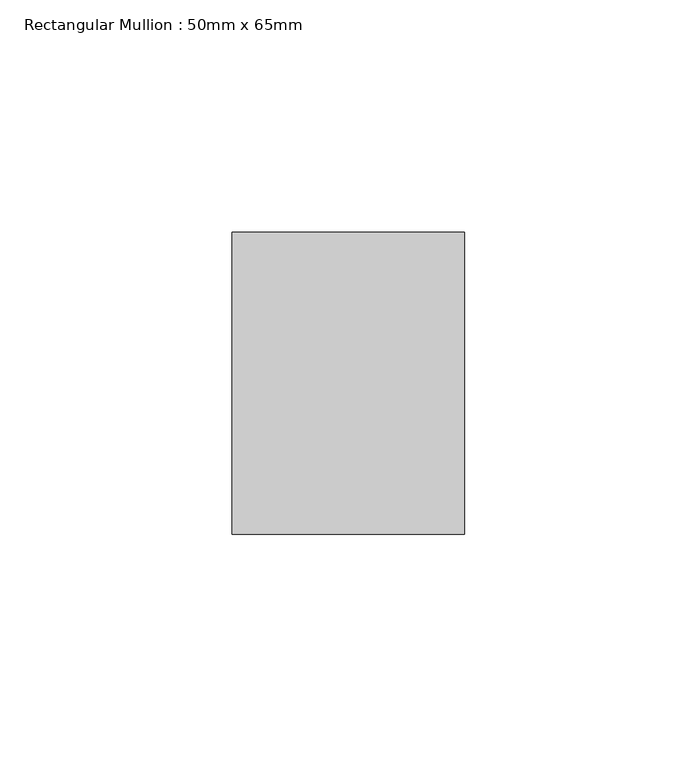
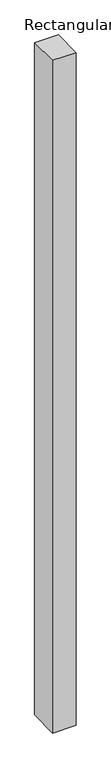
"""IFC4 building model written with IfcOpenShell, lengths in millimetres: member geometry, Rectangular Mullion : 50mm x 65mm."""

from ifc_helpers import new_model, si_unit, frame, origin, place, context, project, spatial, polyline, outline, extrude, source, transform, mapped, element, save


def rectangular_mullion_50mm_x_65mm_7ff00608(model_context):
    return source(origin(), model_context, "Body", "SweptSolid", [
        extrude(outline(polyline([(-32.5, 0.0), (32.5, 0.0), (32.5, -1499.3983877), (-32.5, -1500.6028204), (-32.5, 0.0)])), frame((-25.0, 0.0, 0.0), z_axis=(1.0, 0.0, 0.0), x_axis=(0.0, 1.0, 0.0)), (0.0, 0.0, 1.0), 50.0),
    ])


if __name__ == "__main__":
    model = new_model("IFC4")
    model_context = context("Model", 3, world=origin())
    ifc_project = project(units=[si_unit("LENGTHUNIT", "METRE", prefix="MILLI")], contexts=[model_context])
    site = spatial("IfcSite", under=ifc_project)
    building = spatial("IfcBuilding", under=site)
    placement = place(None, origin())
    rectangular_mullion_50mm_x_65mm_shape = rectangular_mullion_50mm_x_65mm_7ff00608(model_context)
    element("IfcMember", 1, ObjectType="Rectangular Mullion : 50mm x 65mm", at=placement, inside=building, context=model_context, shape_type="MappedRepresentation", body=[
        mapped(rectangular_mullion_50mm_x_65mm_shape, transform((0.0, 0.0, 0.0), x_axis=(1.0, 0.0, 0.0), y_axis=(0.0, 1.0, 0.0), z_axis=(0.0, 0.0, 1.0))),
    ])
    save(model, "model.ifc")
